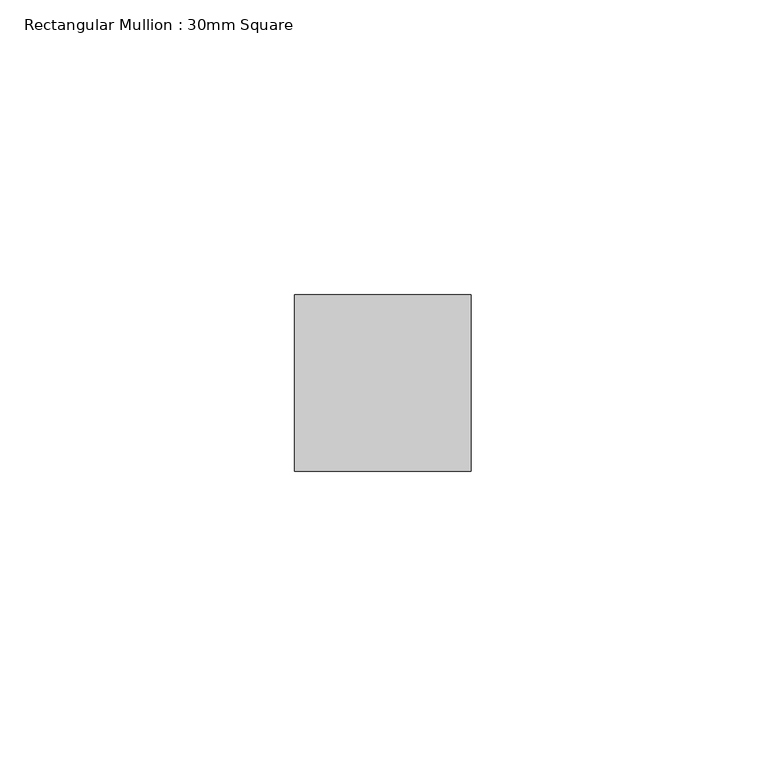
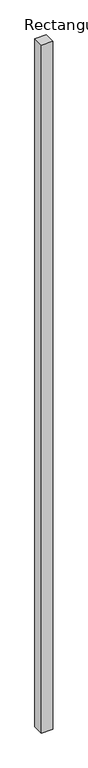
"""IFC4 building model written with IfcOpenShell, lengths in millimetres: member geometry, Rectangular Mullion : 30mm Square."""

from ifc_helpers import new_model, si_unit, frame, origin, place, context, project, spatial, polyline, outline, extrude, source, transform, mapped, element, save


def rectangular_mullion_30mm_square_18c81b7b(model_context):
    return source(origin(), model_context, "Body", "SweptSolid", [
        extrude(outline(polyline([(15.0, 15.0), (15.0, -15.0), (-15.0, -15.0), (-15.0, 15.0), (15.0, 15.0)])), frame((0.0, 0.0, -1917.2408585), z_axis=(0.0, 0.0, 1.0), x_axis=(1.0, 0.0, 0.0)), (0.0, 0.0, 1.0), 1917.2408585),
    ])


if __name__ == "__main__":
    model = new_model("IFC4")
    model_context = context("Model", 3, world=origin())
    ifc_project = project(units=[si_unit("LENGTHUNIT", "METRE", prefix="MILLI")], contexts=[model_context])
    site = spatial("IfcSite", under=ifc_project)
    building = spatial("IfcBuilding", under=site)
    placement = place(None, origin())
    rectangular_mullion_30mm_square_shape = rectangular_mullion_30mm_square_18c81b7b(model_context)
    element("IfcMember", 1, ObjectType="Rectangular Mullion : 30mm Square", at=placement, inside=building, context=model_context, shape_type="MappedRepresentation", body=[
        mapped(rectangular_mullion_30mm_square_shape, transform((0.0, 0.0, 0.0), x_axis=(1.0, 0.0, 0.0), y_axis=(0.0, 1.0, 0.0), z_axis=(0.0, 0.0, 1.0))),
    ])
    save(model, "model.ifc")
